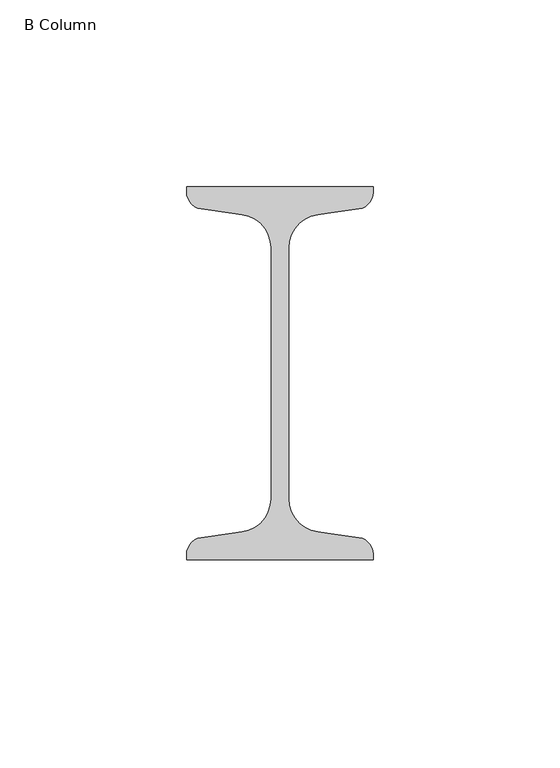
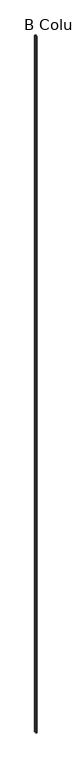
"""IFC4 building model written with IfcOpenShell, lengths in millimetres: column geometry, B Column."""

from ifc_helpers import new_model, si_unit, point, frame_2d, origin, origin_with_axes, place, context, project, spatial, polyline, circle_curve, trimmed, segment, composite_curve, outline, extrude, source, transform, mapped, element, save


def b_column_975acae4(model_context):
    return source(origin(), model_context, "Body", "SweptSolid", [
        extrude(outline(composite_curve([segment(polyline([(-25.0, 50.0), (25.0, 50.0), (25.0, 48.5034153)]), True, "CONTINUOUS"), segment(trimmed(circle_curve(frame_2d((20.5, 48.5034153)), 4.5), [point((25.0, 48.5034153))], [point((21.126279, 44.047209))], False, "CARTESIAN"), True, "CONTINUOUS"), segment(polyline([(21.126279, 44.047209), (13.675, 43.0), (10.0974421, 42.497207)]), True, "CONTINUOUS"), segment(trimmed(circle_curve(frame_2d((11.35, 33.5847944)), 9.0), [point((10.0974421, 42.497207))], [point((2.35, 33.5847944))], True, "CARTESIAN"), True, "CONTINUOUS"), segment(polyline([(2.35, 33.5847944), (2.35, -33.5847944)]), True, "CONTINUOUS"), segment(trimmed(circle_curve(frame_2d((11.35, -33.5847944)), 9.0), [point((2.35, -33.5847944))], [point((10.0974421, -42.497207))], True, "CARTESIAN"), True, "CONTINUOUS"), segment(polyline([(10.0974421, -42.497207), (13.675, -43.0), (21.126279, -44.047209)]), True, "CONTINUOUS"), segment(trimmed(circle_curve(frame_2d((20.5, -48.5034153)), 4.5), [point((21.126279, -44.047209))], [point((25.0, -48.5034153))], False, "CARTESIAN"), True, "CONTINUOUS"), segment(polyline([(25.0, -48.5034153), (25.0, -50.0), (-25.0, -50.0), (-25.0, -48.5034153)]), True, "CONTINUOUS"), segment(trimmed(circle_curve(frame_2d((-20.5, -48.5034153)), 4.5), [point((-25.0, -48.5034153))], [point((-21.126279, -44.047209))], False, "CARTESIAN"), True, "CONTINUOUS"), segment(polyline([(-21.126279, -44.047209), (-13.675, -43.0), (-10.0974421, -42.497207)]), True, "CONTINUOUS"), segment(trimmed(circle_curve(frame_2d((-11.35, -33.5847944)), 9.0), [point((-10.0974421, -42.497207))], [point((-2.35, -33.5847944))], True, "CARTESIAN"), True, "CONTINUOUS"), segment(polyline([(-2.35, -33.5847944), (-2.35, 33.5847944)]), True, "CONTINUOUS"), segment(trimmed(circle_curve(frame_2d((-11.35, 33.5847944)), 9.0), [point((-2.35, 33.5847944))], [point((-10.0974421, 42.497207))], True, "CARTESIAN"), True, "CONTINUOUS"), segment(polyline([(-10.0974421, 42.497207), (-13.675, 43.0), (-21.126279, 44.047209)]), True, "CONTINUOUS"), segment(trimmed(circle_curve(frame_2d((-20.5, 48.5034153)), 4.5), [point((-21.126279, 44.047209))], [point((-25.0, 48.5034153))], False, "CARTESIAN"), True, "CONTINUOUS"), segment(polyline([(-25.0, 48.5034153), (-25.0, 50.0)]), True, "CONTINUOUS")], self_intersect=False)), origin_with_axes(), (0.0, 0.0, 1.0), 33000.0),
    ])


if __name__ == "__main__":
    model = new_model("IFC4")
    model_context = context("Model", 3, world=origin())
    ifc_project = project(units=[si_unit("LENGTHUNIT", "METRE", prefix="MILLI")], contexts=[model_context])
    site = spatial("IfcSite", under=ifc_project)
    building = spatial("IfcBuilding", under=site)
    placement = place(None, origin())
    b_column_shape = b_column_975acae4(model_context)
    element("IfcColumn", 1, ObjectType="B Column", at=placement, inside=building, context=model_context, shape_type="MappedRepresentation", body=[
        mapped(b_column_shape, transform((0.0, 0.0, 0.0), x_axis=(1.0, 0.0, 0.0), y_axis=(0.0, 1.0, 0.0), z_axis=(0.0, 0.0, 1.0))),
    ])
    save(model, "model.ifc")
